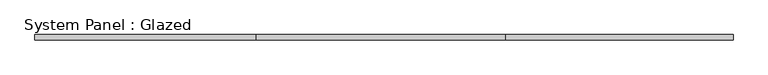
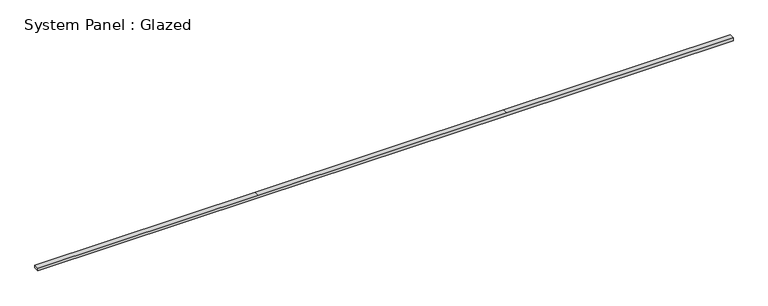
"""IFC4 building model written with IfcOpenShell, lengths in millimetres: plate geometry, System Panel : Glazed."""

from ifc_helpers import new_model, si_unit, frame, origin, place, context, project, spatial, polyline, outline, extrude, source, transform, mapped, element, save


def system_panel_glazed_fe372ec0(model_context):
    return source(origin(), model_context, "Body", "SweptSolid", [
        extrude(outline(polyline([(0.0, -1706.4404159), (0.0, -624.9560409), (0.0, 594.2439591), (0.0, 1706.4404159), (14.3263153, 1706.4404159), (14.3263153, 594.2439591), (14.3263153, -624.9560409), (14.3263153, -1706.4404159), (0.0, -1706.4404159)])), frame((0.0, -12.7, 0.0), z_axis=(0.0, 1.0, 0.0), x_axis=(0.0, 0.0, 1.0)), (0.0, 0.0, 1.0), 25.4),
    ])


if __name__ == "__main__":
    model = new_model("IFC4")
    model_context = context("Model", 3, world=origin())
    ifc_project = project(units=[si_unit("LENGTHUNIT", "METRE", prefix="MILLI")], contexts=[model_context])
    site = spatial("IfcSite", under=ifc_project)
    building = spatial("IfcBuilding", under=site)
    placement = place(None, origin())
    system_panel_glazed_shape = system_panel_glazed_fe372ec0(model_context)
    element("IfcPlate", 1, ObjectType="System Panel : Glazed", at=placement, inside=building, context=model_context, shape_type="MappedRepresentation", body=[
        mapped(system_panel_glazed_shape, transform((0.0, 0.0, 0.0), x_axis=(1.0, 0.0, 0.0), y_axis=(0.0, 1.0, 0.0), z_axis=(0.0, 0.0, 1.0))),
    ])
    save(model, "model.ifc")
